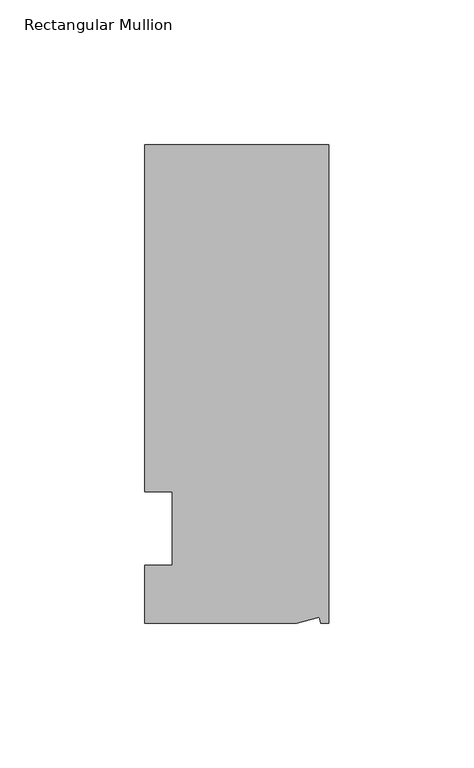
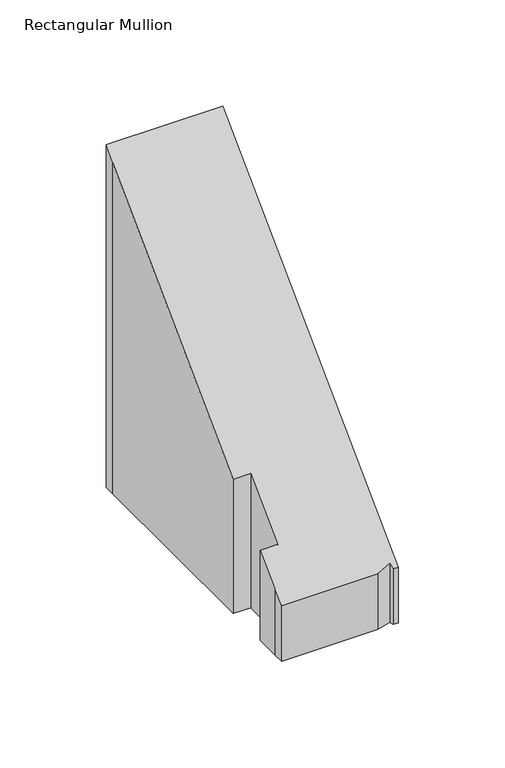
"""IFC4 building model written with IfcOpenShell, lengths in millimetres: member geometry, Rectangular Mullion."""

from ifc_helpers import new_model, si_unit, origin, place, context, project, spatial, faceted_brep, source, transform, mapped, element, save


def rectangular_mullion_65ea3702(model_context):
    return source(origin(), model_context, "Body", "Brep", [
        faceted_brep([(0.0, 132.5561012, -64.44615), (0.0, -32.5438988, -64.44615), (-2.7616541, -32.5438988, -64.44615), (-3.3341886, -30.4622958, -64.44615), (-11.121847, -32.5438988, -64.44615), (-63.5, -32.5438988, -64.44615), (-63.5, -26.1938988, -64.44615), (-63.5, -12.5945801, -64.44615), (-53.975, -12.5945801, -64.44615), (-53.975, 12.8054199, -64.44615), (-63.5, 12.8054199, -64.44615), (-63.5, 126.2061012, -64.44615), (-63.5, 132.5561012, -64.44615), (-63.5, 132.5561012, 132.5561012), (0.0, 132.5561012, 132.5561012), (-63.5, 12.8054199, 12.8054199), (-63.5, 126.2061012, 126.2061012), (-53.975, 12.8054199, 12.8054199), (-53.975, -12.5945801, -12.5945801), (-63.5, -12.5945801, -12.5945801), (-63.5, -26.1938988, -26.1938988), (-11.121847, -32.5438988, -32.5438988), (-63.5, -32.5438988, -32.5438988), (-3.3341886, -30.4622958, -30.4622958), (-2.7616541, -32.5438988, -32.5438988), (0.0, -32.5438988, -32.5438988)], [[[0, 1, 2, 3, 4, 5, 6, 7, 8, 9, 10, 11, 12]], [[13, 14, 0, 12]], [[15, 16, 11, 10]], [[17, 15, 10, 9]], [[18, 17, 9, 8]], [[19, 18, 8, 7]], [[20, 19, 7, 6]], [[21, 22, 5, 4]], [[23, 21, 4, 3]], [[24, 23, 3, 2]], [[25, 24, 2, 1]], [[14, 25, 1, 0]], [[14, 13, 16, 15, 17, 18, 19, 20, 22, 21, 23, 24, 25]], [[16, 13, 12, 11]], [[22, 20, 6, 5]]]),
    ])


if __name__ == "__main__":
    model = new_model("IFC4")
    model_context = context("Model", 3, world=origin())
    ifc_project = project(units=[si_unit("LENGTHUNIT", "METRE", prefix="MILLI")], contexts=[model_context])
    site = spatial("IfcSite", under=ifc_project)
    building = spatial("IfcBuilding", under=site)
    placement = place(None, origin())
    rectangular_mullion_shape = rectangular_mullion_65ea3702(model_context)
    element("IfcMember", 1, ObjectType="Rectangular Mullion", at=placement, inside=building, context=model_context, shape_type="MappedRepresentation", body=[
        mapped(rectangular_mullion_shape, transform((0.0, 0.0, 0.0), x_axis=(1.0, 0.0, 0.0), y_axis=(0.0, 1.0, 0.0), z_axis=(0.0, 0.0, 1.0))),
    ])
    save(model, "model.ifc")
